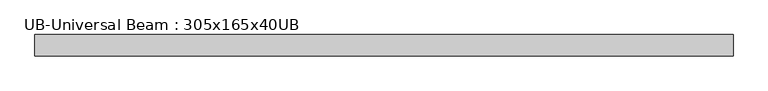
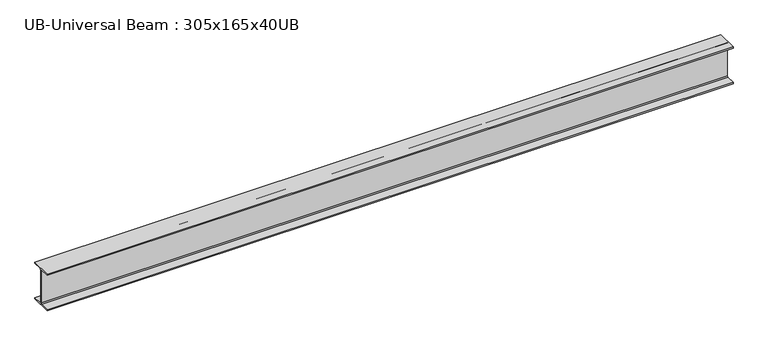
"""IFC4 building model written with IfcOpenShell, lengths in millimetres: beam geometry, UB-Universal Beam : 305x165x40UB."""

import ifcopenshell
import ifcopenshell.guid

model = None  # the IFC model being written
_history = None  # IfcOwnerHistory: only IFC2X3 demands one
_inside = {}  # id of a spatial element -> (the spatial element, [elements in it])
_under = {}  # id of a project, library or spatial element -> (it, [spatial elements below it])
_declared = {}  # id of a project -> (the project, [libraries it declares])
_typed = {}  # id of a type object -> (the type object, [elements of that type])
_made_of = {}  # id of a material, layer set ... -> (it, [elements and type objects made of it])


def new_model(schema):
    """Start an empty IFC model of exactly this schema.

    Asked for "IFC4X3", IfcOpenShell would pick the latest addendum, in which some entities
    have other attributes; the version numbers below select the first issue.
    IFC2X3 requires an IfcOwnerHistory on every rooted entity: one is made here for all.
    """
    global model, _history
    if schema == "IFC4X3":
        model = ifcopenshell.file(schema_version=(4, 3, 0, 0))
    else:
        model = ifcopenshell.file(schema=schema)
    _inside.clear()
    _under.clear()
    _declared.clear()
    _typed.clear()
    _made_of.clear()
    _history = None
    if model.schema == "IFC2X3":
        org = make("IfcOrganization", Name="unknown")
        user = make(
            "IfcPersonAndOrganization",
            ThePerson=make("IfcPerson", FamilyName="unknown"),
            TheOrganization=org,
        )
        app = make(
            "IfcApplication",
            ApplicationDeveloper=org,
            Version="unknown",
            ApplicationFullName="unknown",
            ApplicationIdentifier="unknown",
        )
        _history = make(
            "IfcOwnerHistory",
            OwningUser=user,
            OwningApplication=app,
            ChangeAction="ADDED",
            CreationDate=0,
        )
    return model


def make(cls, **values):
    """One entity of the class cls with the attributes given. An attribute that is None is left unset."""
    return model.create_entity(
        cls, **{name: value for name, value in values.items() if value is not None}
    )


def rooted(cls, **values):
    """An entity with a GlobalId (a new one), such as an element, a storey or a relation."""
    return make(cls, GlobalId=ifcopenshell.guid.new(), OwnerHistory=_history, **values)


def si_unit(unit_type, name, prefix=None):
    """IfcSIUnit, for example si_unit("LENGTHUNIT", "METRE", prefix="MILLI")."""
    return make("IfcSIUnit", UnitType=unit_type, Prefix=prefix, Name=name)


def assignment(units):
    """IfcUnitAssignment: the units of a project."""
    return None if units is None else make("IfcUnitAssignment", Units=units)


def point(xyz):
    """IfcCartesianPoint."""
    return None if xyz is None else make("IfcCartesianPoint", Coordinates=xyz)


def direction(xyz):
    """IfcDirection."""
    return None if xyz is None else make("IfcDirection", DirectionRatios=xyz)


def frame(location, z_axis=None, x_axis=None):
    """IfcAxis2Placement3D, a coordinate frame: its origin and axes. An axis left out is left unset."""
    return make(
        "IfcAxis2Placement3D",
        Location=point(location),
        Axis=direction(z_axis),
        RefDirection=direction(x_axis),
    )


def frame_2d(location, x_axis=None):
    """IfcAxis2Placement2D, a coordinate frame in the plane: its origin and x axis."""
    return make(
        "IfcAxis2Placement2D", Location=point(location), RefDirection=direction(x_axis)
    )


def origin():
    """The frame at (0, 0, 0) with its axes left unset."""
    return frame((0.0, 0.0, 0.0))


def place(relative_to, where):
    """IfcLocalPlacement: puts the frame where relative to a parent placement (None: the world)."""
    return make(
        "IfcLocalPlacement", PlacementRelTo=relative_to, RelativePlacement=where
    )


def context(
    kind, dimensions, precision=None, world=None, true_north=None, identifier=None
):
    """IfcGeometricRepresentationContext, for example the 3D "Model" context."""
    return make(
        "IfcGeometricRepresentationContext",
        ContextIdentifier=identifier,
        ContextType=kind,
        CoordinateSpaceDimension=dimensions,
        Precision=precision,
        WorldCoordinateSystem=world,
        TrueNorth=true_north,
    )


def project(units=None, contexts=None):
    """IfcProject with its units and contexts."""
    return rooted(
        "IfcProject",
        Name="project",
        RepresentationContexts=contexts,
        UnitsInContext=assignment(units),
    )


def spatial(cls, under=None, at=None, **own):
    """A site, building, storey or space (cls), placed at a placement, below another one or the project."""
    s = rooted(cls, ObjectPlacement=at, **own)
    if under is not None:
        _under.setdefault(under.id(), (under, []))[1].append(s)
    return s


def polyline(points):
    """IfcPolyline through the points."""
    return make("IfcPolyline", Points=[point(p) for p in points])


def circle_curve(where, radius):
    """IfcCircle in the frame where."""
    return make("IfcCircle", Position=where, Radius=radius)


def trimmed(basis, trim1, trim2, sense, master):
    """IfcTrimmedCurve: the piece of a basis curve between two trims."""
    return make(
        "IfcTrimmedCurve",
        BasisCurve=basis,
        Trim1=trim1,
        Trim2=trim2,
        SenseAgreement=sense,
        MasterRepresentation=master,
    )


def segment(curve, same_sense, transition):
    """IfcCompositeCurveSegment."""
    return make(
        "IfcCompositeCurveSegment",
        Transition=transition,
        SameSense=same_sense,
        ParentCurve=curve,
    )


def composite_curve(segments, self_intersect=None):
    """IfcCompositeCurve: segments joined end to end."""
    return make("IfcCompositeCurve", Segments=segments, SelfIntersect=self_intersect)


def outline(outer, holes=None, kind="AREA"):
    """IfcArbitraryClosedProfileDef: a profile drawn as a closed curve; with holes, ...WithVoids."""
    if holes is None:
        return make("IfcArbitraryClosedProfileDef", ProfileType=kind, OuterCurve=outer)
    return make(
        "IfcArbitraryProfileDefWithVoids",
        ProfileType=kind,
        OuterCurve=outer,
        InnerCurves=holes,
    )


def extrude(swept, where, along, depth):
    """IfcExtrudedAreaSolid: the profile swept, set in the frame where, extruded along a direction by depth."""
    return make(
        "IfcExtrudedAreaSolid",
        SweptArea=swept,
        Position=where,
        ExtrudedDirection=direction(along),
        Depth=depth,
    )


def shape(context_of_items, identifier, shape_type, items):
    """IfcShapeRepresentation: the items that make up one representation, for example the "Body"."""
    return make(
        "IfcShapeRepresentation",
        ContextOfItems=context_of_items,
        RepresentationIdentifier=identifier,
        RepresentationType=shape_type,
        Items=items,
    )


def source(mapping_origin, context_of_items, identifier, shape_type, items):
    """IfcRepresentationMap: a shape defined once, which mapped items show again and again."""
    return make(
        "IfcRepresentationMap",
        MappingOrigin=mapping_origin,
        MappedRepresentation=shape(context_of_items, identifier, shape_type, items),
    )


def transform(
    local_origin,
    x_axis=None,
    y_axis=None,
    z_axis=None,
    scale=None,
    scale2=None,
    scale3=None,
    uniform=True,
):
    """IfcCartesianTransformationOperator3D, or its non-uniform kind. x_axis, y_axis, z_axis: its Axis1, 2, 3."""
    if uniform:
        return make(
            "IfcCartesianTransformationOperator3D",
            Axis1=direction(x_axis),
            Axis2=direction(y_axis),
            LocalOrigin=point(local_origin),
            Scale=scale,
            Axis3=direction(z_axis),
        )
    return make(
        "IfcCartesianTransformationOperator3DnonUniform",
        Axis1=direction(x_axis),
        Axis2=direction(y_axis),
        LocalOrigin=point(local_origin),
        Scale=scale,
        Axis3=direction(z_axis),
        Scale2=scale2,
        Scale3=scale3,
    )


def mapped(mapping_source, mapping_target):
    """IfcMappedItem: shows the shape of a source again, moved by a transform."""
    return make(
        "IfcMappedItem", MappingSource=mapping_source, MappingTarget=mapping_target
    )


def made_of(thing, what):
    """Note that an element or type object is made of a material, layer set ...; save() writes the relation."""
    if what is not None:
        _made_of.setdefault(what.id(), (what, []))[1].append(thing)
    return thing


def element(
    cls,
    number,
    at=None,
    inside=None,
    cuts=None,
    type_object=None,
    material=None,
    context=None,
    identifier="Body",
    shape_type=None,
    held_by="IfcProductDefinitionShape",
    body=None,
    shapes=None,
    **own,
):
    """One element of the class cls, such as IfcWall. Its Tag is "e" and its number.

    at: its placement. inside: the storey or other place that contains it. cuts: it is an
    opening in that element (IfcRelVoidsElement). A single representation is given by context,
    identifier, shape_type and body (its items); several are given by shapes. held_by: the class
    of the entity that holds the representations. save() writes the other relations.
    """
    e = rooted(cls, Tag="e%d" % number, ObjectPlacement=at, **own)
    if body is not None:
        shapes = [shape(context, identifier, shape_type, body)]
    if shapes is not None:
        e.Representation = make(held_by, Representations=shapes)
    if inside is not None:
        _inside.setdefault(inside.id(), (inside, []))[1].append(e)
    if cuts is not None:
        rooted(
            "IfcRelVoidsElement", RelatingBuildingElement=cuts, RelatedOpeningElement=e
        )
    if type_object is not None:
        _typed.setdefault(type_object.id(), (type_object, []))[1].append(e)
    return made_of(e, material)


def aggregate(whole, parts):
    """IfcRelAggregates: a whole, such as a stair, and the parts it consists of."""
    return rooted("IfcRelAggregates", RelatingObject=whole, RelatedObjects=parts)


def save(model, path):
    """Write the relations noted so far, then the file.

    IfcRelAggregates (storeys below a building ...), IfcRelContainedInSpatialStructure (elements
    in a storey), IfcRelDefinesByType, IfcRelAssociatesMaterial and IfcRelDeclares: one each for
    every whole, place, type object, material and project.
    """
    for whole, parts in _under.values():
        aggregate(whole, parts)
    for where, things in _inside.values():
        rooted(
            "IfcRelContainedInSpatialStructure",
            RelatedElements=things,
            RelatingStructure=where,
        )
    for kind, things in _typed.values():
        rooted("IfcRelDefinesByType", RelatedObjects=things, RelatingType=kind)
    for what, things in _made_of.values():
        rooted("IfcRelAssociatesMaterial", RelatedObjects=things, RelatingMaterial=what)
    for by, libraries in _declared.values():
        rooted("IfcRelDeclares", RelatingContext=by, RelatedDefinitions=libraries)
    model.write(path)


def ub_universal_beam_305x165x40ub_5f4ebcb2(model_context):
    return source(origin(), model_context, "Body", "SweptSolid", [
        extrude(outline(composite_curve([segment(polyline([(82.5, -141.5), (82.5, -151.7), (-82.5, -151.7), (-82.5, -141.5), (-11.9, -141.5)]), True, "CONTINUOUS"), segment(trimmed(circle_curve(frame_2d((-11.9, -132.6)), 8.9), [point((-11.9, -141.5))], [point((-3.0, -132.6))], True, "CARTESIAN"), True, "CONTINUOUS"), segment(polyline([(-3.0, -132.6), (-3.0, 132.6)]), True, "CONTINUOUS"), segment(trimmed(circle_curve(frame_2d((-11.9, 132.6)), 8.9), [point((-3.0, 132.6))], [point((-11.9, 141.5))], True, "CARTESIAN"), True, "CONTINUOUS"), segment(polyline([(-11.9, 141.5), (-82.5, 141.5), (-82.5, 151.7), (82.5, 151.7), (82.5, 141.5), (11.9, 141.5)]), True, "CONTINUOUS"), segment(trimmed(circle_curve(frame_2d((11.9, 132.6)), 8.9), [point((11.9, 141.5))], [point((3.0, 132.6))], True, "CARTESIAN"), True, "CONTINUOUS"), segment(polyline([(3.0, 132.6), (3.0, -132.6)]), True, "CONTINUOUS"), segment(trimmed(circle_curve(frame_2d((11.9, -132.6)), 8.9), [point((3.0, -132.6))], [point((11.9, -141.5))], True, "CARTESIAN"), True, "CONTINUOUS"), segment(polyline([(11.9, -141.5), (82.5, -141.5)]), True, "CONTINUOUS")], self_intersect=False)), frame((-2668.9916965, 0.0, 0.0), z_axis=(1.0, 0.0, 0.0), x_axis=(0.0, 1.0, 0.0)), (0.0, 0.0, 1.0), 5370.7485686),
    ])


if __name__ == "__main__":
    model = new_model("IFC4")
    model_context = context("Model", 3, world=origin())
    ifc_project = project(units=[si_unit("LENGTHUNIT", "METRE", prefix="MILLI")], contexts=[model_context])
    site = spatial("IfcSite", under=ifc_project)
    building = spatial("IfcBuilding", under=site)
    placement = place(None, origin())
    ub_universal_beam_305x165x40ub_shape = ub_universal_beam_305x165x40ub_5f4ebcb2(model_context)
    element("IfcBeam", 1, ObjectType="UB-Universal Beam : 305x165x40UB", at=placement, inside=building, context=model_context, shape_type="MappedRepresentation", body=[
        mapped(ub_universal_beam_305x165x40ub_shape, transform((0.0, 0.0, 0.0), x_axis=(1.0, 0.0, 0.0), y_axis=(0.0, 1.0, 0.0), z_axis=(0.0, 0.0, 1.0))),
    ])
    save(model, "model.ifc")
